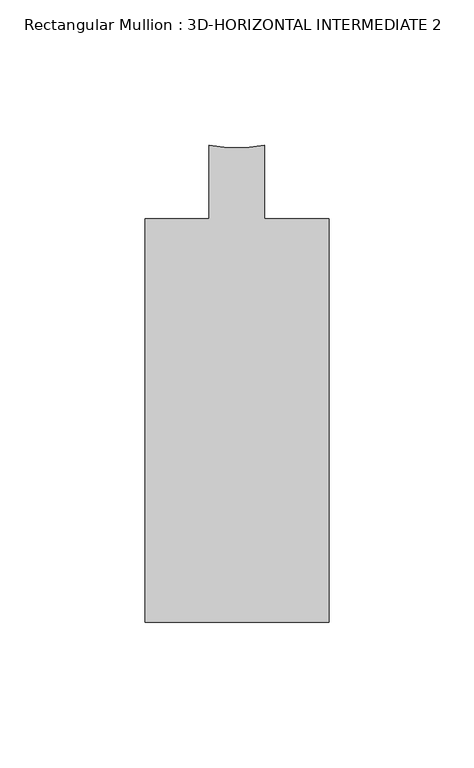
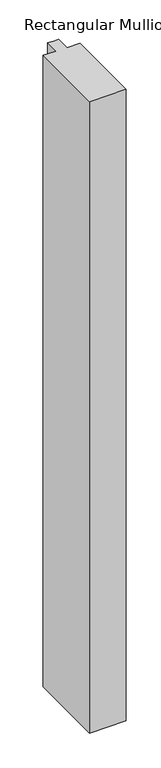
"""IFC4 building model written with IfcOpenShell, lengths in millimetres: member geometry, Rectangular Mullion : 3D-HORIZONTAL INTERMEDIATE 2."""

import ifcopenshell
import ifcopenshell.guid

model = None  # the IFC model being written
_history = None  # IfcOwnerHistory: only IFC2X3 demands one
_inside = {}  # id of a spatial element -> (the spatial element, [elements in it])
_under = {}  # id of a project, library or spatial element -> (it, [spatial elements below it])
_declared = {}  # id of a project -> (the project, [libraries it declares])
_typed = {}  # id of a type object -> (the type object, [elements of that type])
_made_of = {}  # id of a material, layer set ... -> (it, [elements and type objects made of it])


def new_model(schema):
    """Start an empty IFC model of exactly this schema.

    Asked for "IFC4X3", IfcOpenShell would pick the latest addendum, in which some entities
    have other attributes; the version numbers below select the first issue.
    IFC2X3 requires an IfcOwnerHistory on every rooted entity: one is made here for all.
    """
    global model, _history
    if schema == "IFC4X3":
        model = ifcopenshell.file(schema_version=(4, 3, 0, 0))
    else:
        model = ifcopenshell.file(schema=schema)
    _inside.clear()
    _under.clear()
    _declared.clear()
    _typed.clear()
    _made_of.clear()
    _history = None
    if model.schema == "IFC2X3":
        org = make("IfcOrganization", Name="unknown")
        user = make(
            "IfcPersonAndOrganization",
            ThePerson=make("IfcPerson", FamilyName="unknown"),
            TheOrganization=org,
        )
        app = make(
            "IfcApplication",
            ApplicationDeveloper=org,
            Version="unknown",
            ApplicationFullName="unknown",
            ApplicationIdentifier="unknown",
        )
        _history = make(
            "IfcOwnerHistory",
            OwningUser=user,
            OwningApplication=app,
            ChangeAction="ADDED",
            CreationDate=0,
        )
    return model


def make(cls, **values):
    """One entity of the class cls with the attributes given. An attribute that is None is left unset."""
    return model.create_entity(
        cls, **{name: value for name, value in values.items() if value is not None}
    )


def rooted(cls, **values):
    """An entity with a GlobalId (a new one), such as an element, a storey or a relation."""
    return make(cls, GlobalId=ifcopenshell.guid.new(), OwnerHistory=_history, **values)


def si_unit(unit_type, name, prefix=None):
    """IfcSIUnit, for example si_unit("LENGTHUNIT", "METRE", prefix="MILLI")."""
    return make("IfcSIUnit", UnitType=unit_type, Prefix=prefix, Name=name)


def assignment(units):
    """IfcUnitAssignment: the units of a project."""
    return None if units is None else make("IfcUnitAssignment", Units=units)


def point(xyz):
    """IfcCartesianPoint."""
    return None if xyz is None else make("IfcCartesianPoint", Coordinates=xyz)


def direction(xyz):
    """IfcDirection."""
    return None if xyz is None else make("IfcDirection", DirectionRatios=xyz)


def frame(location, z_axis=None, x_axis=None):
    """IfcAxis2Placement3D, a coordinate frame: its origin and axes. An axis left out is left unset."""
    return make(
        "IfcAxis2Placement3D",
        Location=point(location),
        Axis=direction(z_axis),
        RefDirection=direction(x_axis),
    )


def frame_2d(location, x_axis=None):
    """IfcAxis2Placement2D, a coordinate frame in the plane: its origin and x axis."""
    return make(
        "IfcAxis2Placement2D", Location=point(location), RefDirection=direction(x_axis)
    )


def origin():
    """The frame at (0, 0, 0) with its axes left unset."""
    return frame((0.0, 0.0, 0.0))


def place(relative_to, where):
    """IfcLocalPlacement: puts the frame where relative to a parent placement (None: the world)."""
    return make(
        "IfcLocalPlacement", PlacementRelTo=relative_to, RelativePlacement=where
    )


def context(
    kind, dimensions, precision=None, world=None, true_north=None, identifier=None
):
    """IfcGeometricRepresentationContext, for example the 3D "Model" context."""
    return make(
        "IfcGeometricRepresentationContext",
        ContextIdentifier=identifier,
        ContextType=kind,
        CoordinateSpaceDimension=dimensions,
        Precision=precision,
        WorldCoordinateSystem=world,
        TrueNorth=true_north,
    )


def project(units=None, contexts=None):
    """IfcProject with its units and contexts."""
    return rooted(
        "IfcProject",
        Name="project",
        RepresentationContexts=contexts,
        UnitsInContext=assignment(units),
    )


def spatial(cls, under=None, at=None, **own):
    """A site, building, storey or space (cls), placed at a placement, below another one or the project."""
    s = rooted(cls, ObjectPlacement=at, **own)
    if under is not None:
        _under.setdefault(under.id(), (under, []))[1].append(s)
    return s


def polyline(points):
    """IfcPolyline through the points."""
    return make("IfcPolyline", Points=[point(p) for p in points])


def circle_curve(where, radius):
    """IfcCircle in the frame where."""
    return make("IfcCircle", Position=where, Radius=radius)


def trimmed(basis, trim1, trim2, sense, master):
    """IfcTrimmedCurve: the piece of a basis curve between two trims."""
    return make(
        "IfcTrimmedCurve",
        BasisCurve=basis,
        Trim1=trim1,
        Trim2=trim2,
        SenseAgreement=sense,
        MasterRepresentation=master,
    )


def segment(curve, same_sense, transition):
    """IfcCompositeCurveSegment."""
    return make(
        "IfcCompositeCurveSegment",
        Transition=transition,
        SameSense=same_sense,
        ParentCurve=curve,
    )


def composite_curve(segments, self_intersect=None):
    """IfcCompositeCurve: segments joined end to end."""
    return make("IfcCompositeCurve", Segments=segments, SelfIntersect=self_intersect)


def outline(outer, holes=None, kind="AREA"):
    """IfcArbitraryClosedProfileDef: a profile drawn as a closed curve; with holes, ...WithVoids."""
    if holes is None:
        return make("IfcArbitraryClosedProfileDef", ProfileType=kind, OuterCurve=outer)
    return make(
        "IfcArbitraryProfileDefWithVoids",
        ProfileType=kind,
        OuterCurve=outer,
        InnerCurves=holes,
    )


def extrude(swept, where, along, depth):
    """IfcExtrudedAreaSolid: the profile swept, set in the frame where, extruded along a direction by depth."""
    return make(
        "IfcExtrudedAreaSolid",
        SweptArea=swept,
        Position=where,
        ExtrudedDirection=direction(along),
        Depth=depth,
    )


def shape(context_of_items, identifier, shape_type, items):
    """IfcShapeRepresentation: the items that make up one representation, for example the "Body"."""
    return make(
        "IfcShapeRepresentation",
        ContextOfItems=context_of_items,
        RepresentationIdentifier=identifier,
        RepresentationType=shape_type,
        Items=items,
    )


def source(mapping_origin, context_of_items, identifier, shape_type, items):
    """IfcRepresentationMap: a shape defined once, which mapped items show again and again."""
    return make(
        "IfcRepresentationMap",
        MappingOrigin=mapping_origin,
        MappedRepresentation=shape(context_of_items, identifier, shape_type, items),
    )


def transform(
    local_origin,
    x_axis=None,
    y_axis=None,
    z_axis=None,
    scale=None,
    scale2=None,
    scale3=None,
    uniform=True,
):
    """IfcCartesianTransformationOperator3D, or its non-uniform kind. x_axis, y_axis, z_axis: its Axis1, 2, 3."""
    if uniform:
        return make(
            "IfcCartesianTransformationOperator3D",
            Axis1=direction(x_axis),
            Axis2=direction(y_axis),
            LocalOrigin=point(local_origin),
            Scale=scale,
            Axis3=direction(z_axis),
        )
    return make(
        "IfcCartesianTransformationOperator3DnonUniform",
        Axis1=direction(x_axis),
        Axis2=direction(y_axis),
        LocalOrigin=point(local_origin),
        Scale=scale,
        Axis3=direction(z_axis),
        Scale2=scale2,
        Scale3=scale3,
    )


def mapped(mapping_source, mapping_target):
    """IfcMappedItem: shows the shape of a source again, moved by a transform."""
    return make(
        "IfcMappedItem", MappingSource=mapping_source, MappingTarget=mapping_target
    )


def made_of(thing, what):
    """Note that an element or type object is made of a material, layer set ...; save() writes the relation."""
    if what is not None:
        _made_of.setdefault(what.id(), (what, []))[1].append(thing)
    return thing


def element(
    cls,
    number,
    at=None,
    inside=None,
    cuts=None,
    type_object=None,
    material=None,
    context=None,
    identifier="Body",
    shape_type=None,
    held_by="IfcProductDefinitionShape",
    body=None,
    shapes=None,
    **own,
):
    """One element of the class cls, such as IfcWall. Its Tag is "e" and its number.

    at: its placement. inside: the storey or other place that contains it. cuts: it is an
    opening in that element (IfcRelVoidsElement). A single representation is given by context,
    identifier, shape_type and body (its items); several are given by shapes. held_by: the class
    of the entity that holds the representations. save() writes the other relations.
    """
    e = rooted(cls, Tag="e%d" % number, ObjectPlacement=at, **own)
    if body is not None:
        shapes = [shape(context, identifier, shape_type, body)]
    if shapes is not None:
        e.Representation = make(held_by, Representations=shapes)
    if inside is not None:
        _inside.setdefault(inside.id(), (inside, []))[1].append(e)
    if cuts is not None:
        rooted(
            "IfcRelVoidsElement", RelatingBuildingElement=cuts, RelatedOpeningElement=e
        )
    if type_object is not None:
        _typed.setdefault(type_object.id(), (type_object, []))[1].append(e)
    return made_of(e, material)


def aggregate(whole, parts):
    """IfcRelAggregates: a whole, such as a stair, and the parts it consists of."""
    return rooted("IfcRelAggregates", RelatingObject=whole, RelatedObjects=parts)


def save(model, path):
    """Write the relations noted so far, then the file.

    IfcRelAggregates (storeys below a building ...), IfcRelContainedInSpatialStructure (elements
    in a storey), IfcRelDefinesByType, IfcRelAssociatesMaterial and IfcRelDeclares: one each for
    every whole, place, type object, material and project.
    """
    for whole, parts in _under.values():
        aggregate(whole, parts)
    for where, things in _inside.values():
        rooted(
            "IfcRelContainedInSpatialStructure",
            RelatedElements=things,
            RelatingStructure=where,
        )
    for kind, things in _typed.values():
        rooted("IfcRelDefinesByType", RelatedObjects=things, RelatingType=kind)
    for what, things in _made_of.values():
        rooted("IfcRelAssociatesMaterial", RelatedObjects=things, RelatingMaterial=what)
    for by, libraries in _declared.values():
        rooted("IfcRelDeclares", RelatingContext=by, RelatedDefinitions=libraries)
    model.write(path)


def rectangular_mullion_3d_horizontal_intermediate_2_90945fbb(model_context):
    return source(origin(), model_context, "Body", "SweptSolid", [
        extrude(outline(composite_curve([segment(polyline([(-31.75, 56.896), (-9.5251132, 56.896), (-9.5251132, 82.296)]), True, "CONTINUOUS"), segment(trimmed(circle_curve(frame_2d((0.0, 122.9915843)), 41.7954347), [point((-9.5251132, 82.296))], [point((9.5251132, 82.296))], True, "CARTESIAN"), True, "CONTINUOUS"), segment(polyline([(9.5251132, 82.296), (9.5251132, 56.896), (31.75, 56.896), (31.75, -82.296), (-31.75, -82.296), (-31.75, 56.896)]), True, "CONTINUOUS")], self_intersect=False)), frame((0.0, 0.0, -1155.7), z_axis=(0.0, 0.0, 1.0), x_axis=(1.0, 0.0, 0.0)), (0.0, 0.0, 1.0), 1155.7),
    ])


if __name__ == "__main__":
    model = new_model("IFC4")
    model_context = context("Model", 3, world=origin())
    ifc_project = project(units=[si_unit("LENGTHUNIT", "METRE", prefix="MILLI")], contexts=[model_context])
    site = spatial("IfcSite", under=ifc_project)
    building = spatial("IfcBuilding", under=site)
    placement = place(None, origin())
    rectangular_mullion_3d_horizontal_intermediate_2_shape = rectangular_mullion_3d_horizontal_intermediate_2_90945fbb(model_context)
    element("IfcMember", 1, ObjectType="Rectangular Mullion : 3D-HORIZONTAL INTERMEDIATE 2", at=placement, inside=building, context=model_context, shape_type="MappedRepresentation", body=[
        mapped(rectangular_mullion_3d_horizontal_intermediate_2_shape, transform((0.0, 0.0, 0.0), x_axis=(1.0, 0.0, 0.0), y_axis=(0.0, 1.0, 0.0), z_axis=(0.0, 0.0, 1.0))),
    ])
    save(model, "model.ifc")
